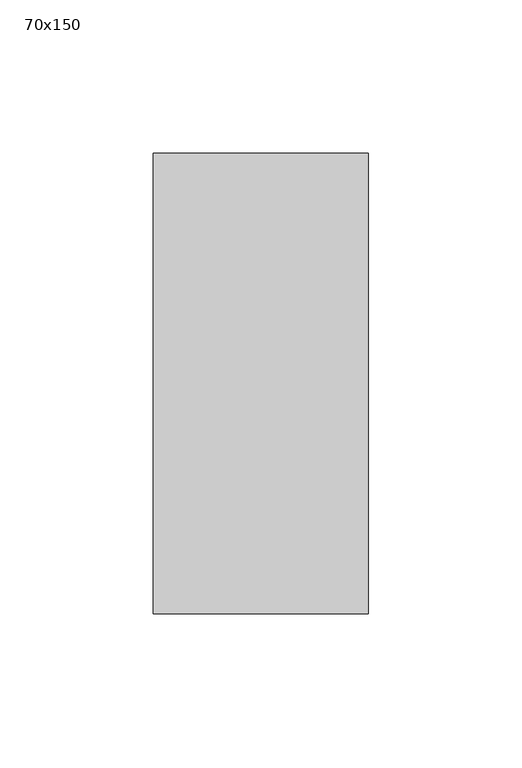
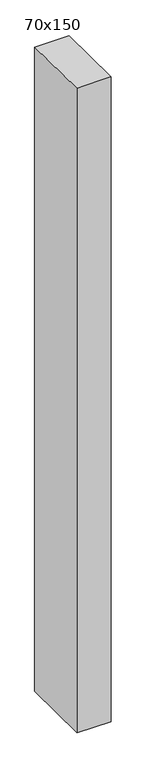
"""IFC4 building model written with IfcOpenShell, lengths in millimetres: member geometry, 70x150."""

from ifc_helpers import new_model, si_unit, frame, origin, place, context, project, spatial, polyline, outline, extrude, source, transform, mapped, element, save


def member_70x150_d2bbf5bb(model_context):
    return source(origin(), model_context, "Body", "SweptSolid", [
        extrude(outline(polyline([(-75.0, 0.977983), (75.0, -0.977983), (75.0, -1397.7180115), (-75.0, -1397.3194831), (-75.0, 0.977983)])), frame((-35.0, 0.0, 0.0), z_axis=(1.0, 0.0, 0.0), x_axis=(0.0, 1.0, 0.0)), (0.0, 0.0, 1.0), 70.0),
    ])


if __name__ == "__main__":
    model = new_model("IFC4")
    model_context = context("Model", 3, world=origin())
    ifc_project = project(units=[si_unit("LENGTHUNIT", "METRE", prefix="MILLI")], contexts=[model_context])
    site = spatial("IfcSite", under=ifc_project)
    building = spatial("IfcBuilding", under=site)
    placement = place(None, origin())
    member_70x150_shape = member_70x150_d2bbf5bb(model_context)
    element("IfcMember", 1, ObjectType="70x150", at=placement, inside=building, context=model_context, shape_type="MappedRepresentation", body=[
        mapped(member_70x150_shape, transform((0.0, 0.0, 0.0), x_axis=(1.0, 0.0, 0.0), y_axis=(0.0, 1.0, 0.0), z_axis=(0.0, 0.0, 1.0))),
    ])
    save(model, "model.ifc")
